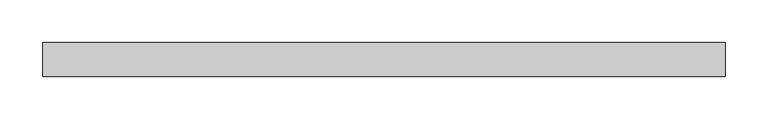
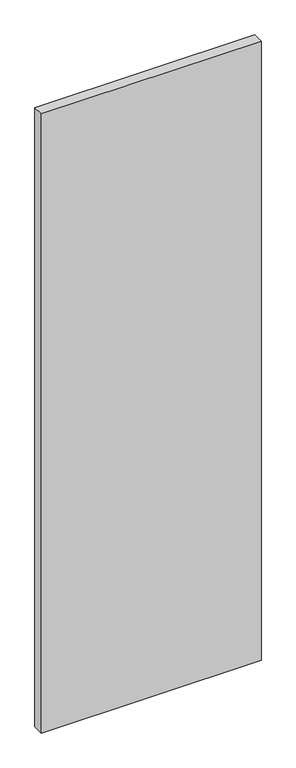
"""IFC4 building model written with IfcOpenShell, lengths in millimetres: plate geometry."""

from ifc_helpers import new_model, si_unit, origin, origin_with_axes, place, context, project, spatial, polyline, outline, extrude, source, transform, mapped, element, save


def plate_6cd91de8(model_context):
    return source(origin(), model_context, "Body", "SweptSolid", [
        extrude(outline(polyline([(398.05, 19.84375), (398.05, -19.84375), (-398.05, -19.84375), (-398.05, 19.84375), (398.05, 19.84375)])), origin_with_axes(), (0.0, 0.0, 1.0), 2370.9),
    ])


if __name__ == "__main__":
    model = new_model("IFC4")
    model_context = context("Model", 3, world=origin())
    ifc_project = project(units=[si_unit("LENGTHUNIT", "METRE", prefix="MILLI")], contexts=[model_context])
    site = spatial("IfcSite", under=ifc_project)
    building = spatial("IfcBuilding", under=site)
    placement = place(None, origin())
    plate_shape = plate_6cd91de8(model_context)
    element("IfcPlate", 1, at=placement, inside=building, context=model_context, shape_type="MappedRepresentation", body=[
        mapped(plate_shape, transform((0.0, 0.0, 0.0), x_axis=(1.0, 0.0, 0.0), y_axis=(0.0, 1.0, 0.0), z_axis=(0.0, 0.0, 1.0))),
    ])
    save(model, "model.ifc")
